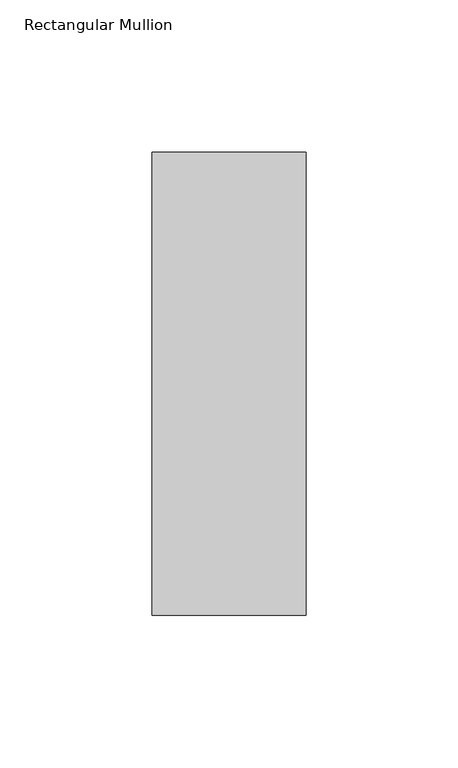
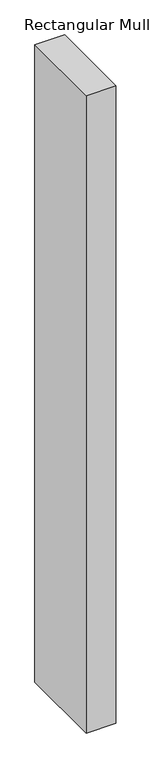
"""IFC4 building model written with IfcOpenShell, lengths in millimetres: member geometry, Rectangular Mullion."""

from ifc_helpers import new_model, si_unit, frame, origin, place, context, project, spatial, polyline, outline, extrude, source, transform, mapped, element, save


def rectangular_mullion_0b0a8150(model_context):
    return source(origin(), model_context, "Body", "SweptSolid", [
        extrude(outline(polyline([(0.0, 26.19375), (0.0, -126.20625), (-50.8, -126.20625), (-50.8, 26.19375), (0.0, 26.19375)])), frame((0.0, 0.0, -1155.7), z_axis=(0.0, 0.0, 1.0), x_axis=(1.0, 0.0, 0.0)), (0.0, 0.0, 1.0), 1155.7),
    ])


if __name__ == "__main__":
    model = new_model("IFC4")
    model_context = context("Model", 3, world=origin())
    ifc_project = project(units=[si_unit("LENGTHUNIT", "METRE", prefix="MILLI")], contexts=[model_context])
    site = spatial("IfcSite", under=ifc_project)
    building = spatial("IfcBuilding", under=site)
    placement = place(None, origin())
    rectangular_mullion_shape = rectangular_mullion_0b0a8150(model_context)
    element("IfcMember", 1, ObjectType="Rectangular Mullion", at=placement, inside=building, context=model_context, shape_type="MappedRepresentation", body=[
        mapped(rectangular_mullion_shape, transform((0.0, 0.0, 0.0), x_axis=(1.0, 0.0, 0.0), y_axis=(0.0, 1.0, 0.0), z_axis=(0.0, 0.0, 1.0))),
    ])
    save(model, "model.ifc")
